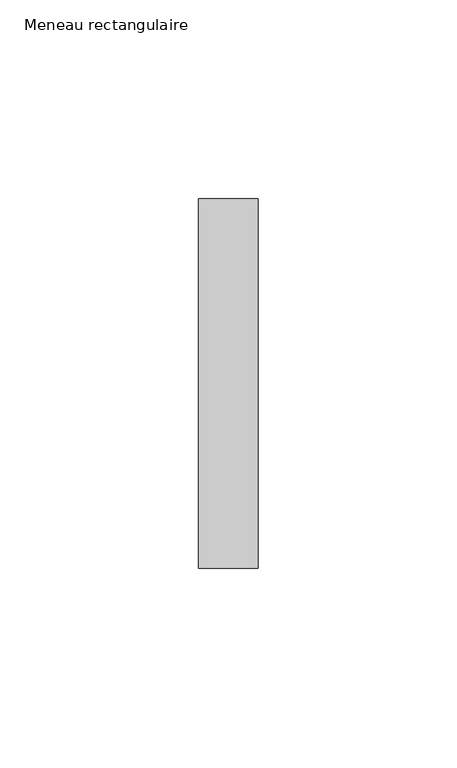
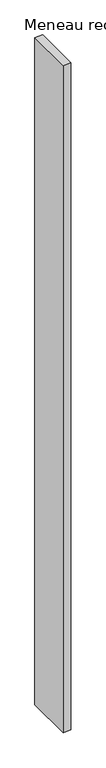
"""IFC4 building model written with IfcOpenShell, lengths in millimetres: member geometry, Meneau rectangulaire."""

from ifc_helpers import new_model, si_unit, frame, origin, place, context, project, spatial, polyline, outline, extrude, source, transform, mapped, element, save


def meneau_rectangulaire_a2526e8f(model_context):
    return source(origin(), model_context, "Body", "SweptSolid", [
        extrude(outline(polyline([(0.0, 46.5), (0.0, -46.5), (-15.0, -46.5), (-15.0, 46.5), (0.0, 46.5)])), frame((0.0, 0.0, -1343.6666669), z_axis=(0.0, 0.0, 1.0), x_axis=(1.0, 0.0, 0.0)), (0.0, 0.0, 1.0), 1343.6666669),
    ])


if __name__ == "__main__":
    model = new_model("IFC4")
    model_context = context("Model", 3, world=origin())
    ifc_project = project(units=[si_unit("LENGTHUNIT", "METRE", prefix="MILLI")], contexts=[model_context])
    site = spatial("IfcSite", under=ifc_project)
    building = spatial("IfcBuilding", under=site)
    placement = place(None, origin())
    meneau_rectangulaire_shape = meneau_rectangulaire_a2526e8f(model_context)
    element("IfcMember", 1, ObjectType="Meneau rectangulaire", at=placement, inside=building, context=model_context, shape_type="MappedRepresentation", body=[
        mapped(meneau_rectangulaire_shape, transform((0.0, 0.0, 0.0), x_axis=(1.0, 0.0, 0.0), y_axis=(0.0, 1.0, 0.0), z_axis=(0.0, 0.0, 1.0))),
    ])
    save(model, "model.ifc")
